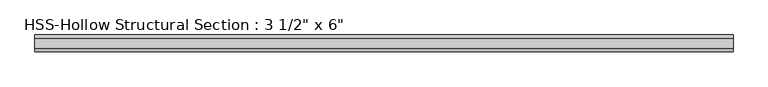
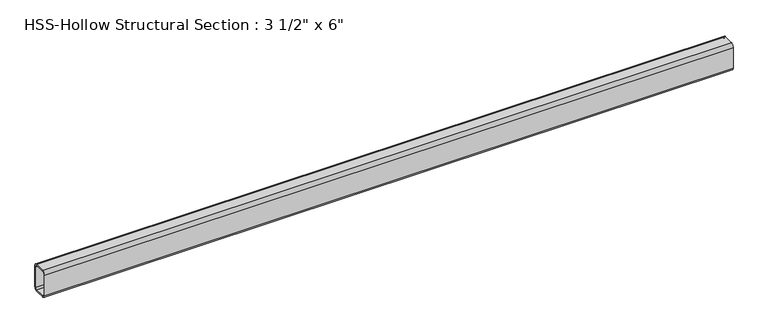
"""IFC4 building model written with IfcOpenShell, lengths in millimetres: beam geometry."""

from ifc_helpers import new_model, si_unit, point, frame, frame_2d, origin, place, context, project, spatial, polyline, circle_curve, trimmed, segment, composite_curve, outline, extrude, source, transform, mapped, element, save


def beam_019ebbbd(model_context):
    return source(origin(), model_context, "Body", "SweptSolid", [
        extrude(outline(composite_curve([segment(polyline([(44.45, 58.5390625), (44.45, -58.5390625)]), True, "CONTINUOUS"), segment(trimmed(circle_curve(frame_2d((26.7890625, -58.5390625)), 17.6609375), [point((44.45, -58.5390625))], [point((26.7890625, -76.2))], False, "CARTESIAN"), True, "CONTINUOUS"), segment(polyline([(26.7890625, -76.2), (-26.7890625, -76.2)]), True, "CONTINUOUS"), segment(trimmed(circle_curve(frame_2d((-26.7890625, -58.5390625)), 17.6609375), [point((-26.7890625, -76.2))], [point((-44.45, -58.5390625))], False, "CARTESIAN"), True, "CONTINUOUS"), segment(polyline([(-44.45, -58.5390625), (-44.45, 58.5390625)]), True, "CONTINUOUS"), segment(trimmed(circle_curve(frame_2d((-26.7890625, 58.5390625)), 17.6609375), [point((-44.45, 58.5390625))], [point((-26.7890625, 76.2))], False, "CARTESIAN"), True, "CONTINUOUS"), segment(polyline([(-26.7890625, 76.2), (26.7890625, 76.2)]), True, "CONTINUOUS"), segment(trimmed(circle_curve(frame_2d((26.7890625, 58.5390625)), 17.6609375), [point((26.7890625, 76.2))], [point((44.45, 58.5390625))], False, "CARTESIAN"), True, "CONTINUOUS")], self_intersect=False), holes=[composite_curve([segment(trimmed(circle_curve(frame_2d((-26.7890625, 58.5390625)), 8.8304687), [point((-26.7890625, 67.3695312))], [point((-35.6195313, 58.5390625))], True, "CARTESIAN"), True, "CONTINUOUS"), segment(polyline([(-35.6195313, 58.5390625), (-35.6195313, -58.5390625)]), True, "CONTINUOUS"), segment(trimmed(circle_curve(frame_2d((-26.7890625, -58.5390625)), 8.8304688), [point((-35.6195313, -58.5390625))], [point((-26.7890625, -67.3695313))], True, "CARTESIAN"), True, "CONTINUOUS"), segment(polyline([(-26.7890625, -67.3695313), (26.7890625, -67.3695313)]), True, "CONTINUOUS"), segment(trimmed(circle_curve(frame_2d((26.7890625, -58.5390625)), 8.8304687), [point((26.7890625, -67.3695313))], [point((35.6195312, -58.5390625))], True, "CARTESIAN"), True, "CONTINUOUS"), segment(polyline([(35.6195312, -58.5390625), (35.6195312, 58.5390625)]), True, "CONTINUOUS"), segment(trimmed(circle_curve(frame_2d((26.7890625, 58.5390625)), 8.8304688), [point((35.6195312, 58.5390625))], [point((26.7890625, 67.3695312))], True, "CARTESIAN"), True, "CONTINUOUS"), segment(polyline([(26.7890625, 67.3695312), (-26.7890625, 67.3695312)]), True, "CONTINUOUS")], self_intersect=False)]), frame((-1845.1044335, 0.0, 0.0), z_axis=(1.0, 0.0, 0.0), x_axis=(0.0, 1.0, 0.0)), (0.0, 0.0, 1.0), 3690.208867),
    ])


if __name__ == "__main__":
    model = new_model("IFC4")
    model_context = context("Model", 3, world=origin())
    ifc_project = project(units=[si_unit("LENGTHUNIT", "METRE", prefix="MILLI")], contexts=[model_context])
    site = spatial("IfcSite", under=ifc_project)
    building = spatial("IfcBuilding", under=site)
    placement = place(None, origin())
    beam_shape = beam_019ebbbd(model_context)
    element("IfcBeam", 1, ObjectType="HSS-Hollow Structural Section : 3 1/2\" x 6\"", at=placement, inside=building, context=model_context, shape_type="MappedRepresentation", body=[
        mapped(beam_shape, transform((0.0, 0.0, 0.0), x_axis=(1.0, 0.0, 0.0), y_axis=(0.0, 1.0, 0.0), z_axis=(0.0, 0.0, 1.0))),
    ])
    save(model, "model.ifc")
